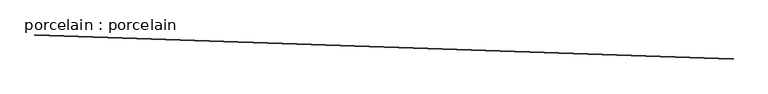
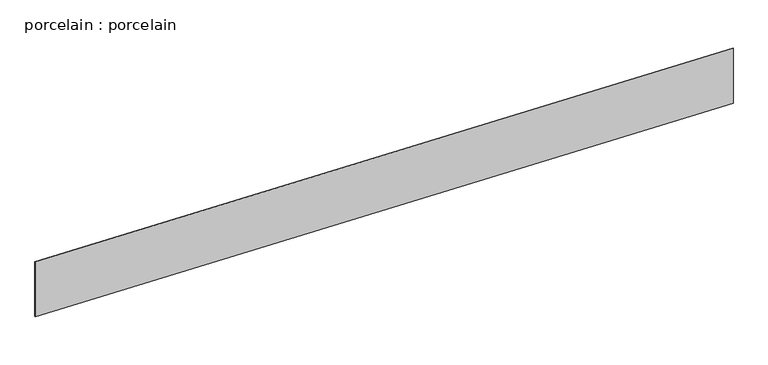
"""IFC4 building model written with IfcOpenShell, lengths in millimetres: proxy geometry, porcelain : porcelain."""

from ifc_helpers import new_model, si_unit, frame, origin, place, context, project, spatial, polyline, outline, extrude, source, transform, mapped, element, save


def porcelain_porcelain_2fbefdcb(model_context):
    return source(origin(), model_context, "Body", "SweptSolid", [
        extrude(outline(polyline([(17307.851528, -14533.4083882), (34364.2705635, -15117.1098068), (34364.0653528, -15123.1062965), (17307.6463173, -14539.4048779), (17307.851528, -14533.4083882)])), frame((0.0, 0.0, 4268.0221586), z_axis=(0.0, 0.0, 1.0), x_axis=(1.0, 0.0, 0.0)), (0.0, 0.0, 1.0), 1446.34),
    ])


if __name__ == "__main__":
    model = new_model("IFC4")
    model_context = context("Model", 3, world=origin())
    ifc_project = project(units=[si_unit("LENGTHUNIT", "METRE", prefix="MILLI")], contexts=[model_context])
    site = spatial("IfcSite", under=ifc_project)
    building = spatial("IfcBuilding", under=site)
    placement = place(None, origin())
    porcelain_porcelain_shape = porcelain_porcelain_2fbefdcb(model_context)
    element("IfcBuildingElementProxy", 1, Name="porcelain : porcelain", ObjectType="porcelain : porcelain", at=placement, inside=building, context=model_context, shape_type="MappedRepresentation", body=[
        mapped(porcelain_porcelain_shape, transform((0.0, 0.0, 0.0), x_axis=(1.0, 0.0, 0.0), y_axis=(0.0, 1.0, 0.0), z_axis=(0.0, 0.0, 1.0))),
    ])
    save(model, "model.ifc")
